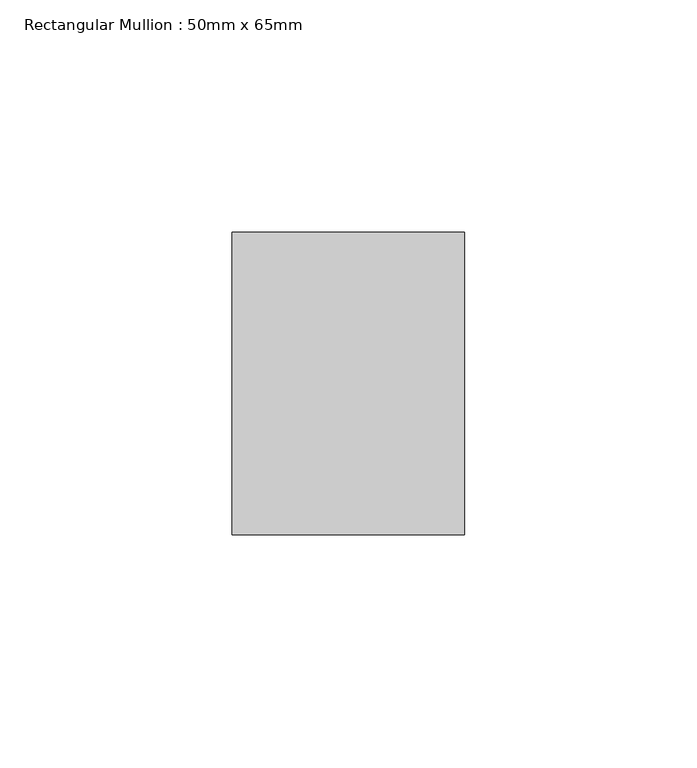
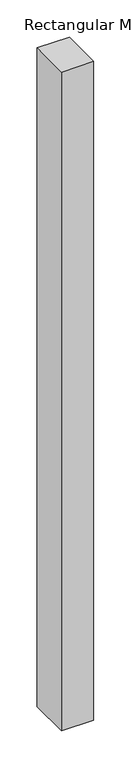
"""IFC4 building model written with IfcOpenShell, lengths in millimetres: member geometry, Rectangular Mullion : 50mm x 65mm."""

from ifc_helpers import new_model, si_unit, frame, origin, place, context, project, spatial, polyline, outline, extrude, source, transform, mapped, element, save


def rectangular_mullion_50mm_x_65mm_317aaf25(model_context):
    return source(origin(), model_context, "Body", "SweptSolid", [
        extrude(outline(polyline([(25.0, 32.5), (25.0, -32.5), (-25.0, -32.5), (-25.0, 32.5), (25.0, 32.5)])), frame((0.0, 0.0, -1078.044806), z_axis=(0.0, 0.0, 1.0), x_axis=(1.0, 0.0, 0.0)), (0.0, 0.0, 1.0), 1078.044806),
    ])


if __name__ == "__main__":
    model = new_model("IFC4")
    model_context = context("Model", 3, world=origin())
    ifc_project = project(units=[si_unit("LENGTHUNIT", "METRE", prefix="MILLI")], contexts=[model_context])
    site = spatial("IfcSite", under=ifc_project)
    building = spatial("IfcBuilding", under=site)
    placement = place(None, origin())
    rectangular_mullion_50mm_x_65mm_shape = rectangular_mullion_50mm_x_65mm_317aaf25(model_context)
    element("IfcMember", 1, ObjectType="Rectangular Mullion : 50mm x 65mm", at=placement, inside=building, context=model_context, shape_type="MappedRepresentation", body=[
        mapped(rectangular_mullion_50mm_x_65mm_shape, transform((0.0, 0.0, 0.0), x_axis=(1.0, 0.0, 0.0), y_axis=(0.0, 1.0, 0.0), z_axis=(0.0, 0.0, 1.0))),
    ])
    save(model, "model.ifc")
